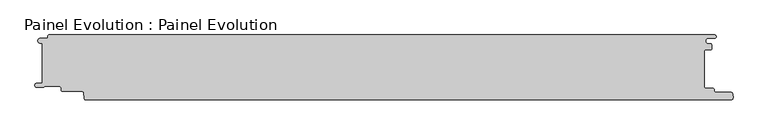
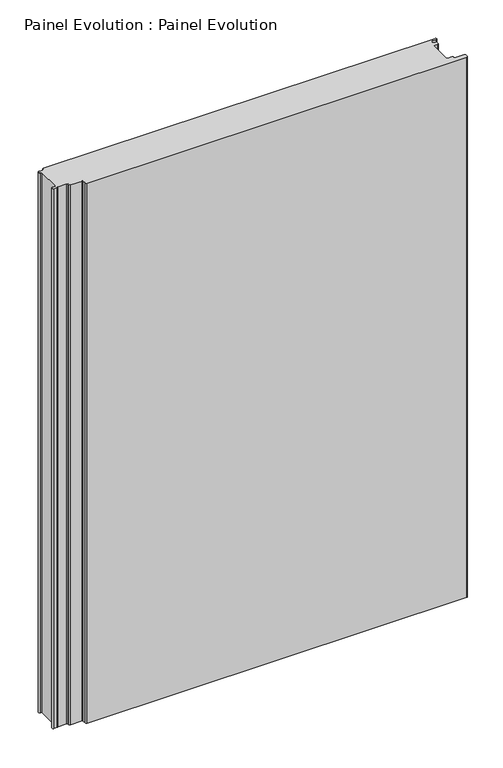
"""IFC4 building model written with IfcOpenShell, lengths in millimetres: proxy geometry, Painel Evolution : Painel Evolution."""

import ifcopenshell
import ifcopenshell.guid

model = None  # the IFC model being written
_history = None  # IfcOwnerHistory: only IFC2X3 demands one
_inside = {}  # id of a spatial element -> (the spatial element, [elements in it])
_under = {}  # id of a project, library or spatial element -> (it, [spatial elements below it])
_declared = {}  # id of a project -> (the project, [libraries it declares])
_typed = {}  # id of a type object -> (the type object, [elements of that type])
_made_of = {}  # id of a material, layer set ... -> (it, [elements and type objects made of it])


def new_model(schema):
    """Start an empty IFC model of exactly this schema.

    Asked for "IFC4X3", IfcOpenShell would pick the latest addendum, in which some entities
    have other attributes; the version numbers below select the first issue.
    IFC2X3 requires an IfcOwnerHistory on every rooted entity: one is made here for all.
    """
    global model, _history
    if schema == "IFC4X3":
        model = ifcopenshell.file(schema_version=(4, 3, 0, 0))
    else:
        model = ifcopenshell.file(schema=schema)
    _inside.clear()
    _under.clear()
    _declared.clear()
    _typed.clear()
    _made_of.clear()
    _history = None
    if model.schema == "IFC2X3":
        org = make("IfcOrganization", Name="unknown")
        user = make(
            "IfcPersonAndOrganization",
            ThePerson=make("IfcPerson", FamilyName="unknown"),
            TheOrganization=org,
        )
        app = make(
            "IfcApplication",
            ApplicationDeveloper=org,
            Version="unknown",
            ApplicationFullName="unknown",
            ApplicationIdentifier="unknown",
        )
        _history = make(
            "IfcOwnerHistory",
            OwningUser=user,
            OwningApplication=app,
            ChangeAction="ADDED",
            CreationDate=0,
        )
    return model


def make(cls, **values):
    """One entity of the class cls with the attributes given. An attribute that is None is left unset."""
    return model.create_entity(
        cls, **{name: value for name, value in values.items() if value is not None}
    )


def rooted(cls, **values):
    """An entity with a GlobalId (a new one), such as an element, a storey or a relation."""
    return make(cls, GlobalId=ifcopenshell.guid.new(), OwnerHistory=_history, **values)


def si_unit(unit_type, name, prefix=None):
    """IfcSIUnit, for example si_unit("LENGTHUNIT", "METRE", prefix="MILLI")."""
    return make("IfcSIUnit", UnitType=unit_type, Prefix=prefix, Name=name)


def assignment(units):
    """IfcUnitAssignment: the units of a project."""
    return None if units is None else make("IfcUnitAssignment", Units=units)


def point(xyz):
    """IfcCartesianPoint."""
    return None if xyz is None else make("IfcCartesianPoint", Coordinates=xyz)


def direction(xyz):
    """IfcDirection."""
    return None if xyz is None else make("IfcDirection", DirectionRatios=xyz)


def frame(location, z_axis=None, x_axis=None):
    """IfcAxis2Placement3D, a coordinate frame: its origin and axes. An axis left out is left unset."""
    return make(
        "IfcAxis2Placement3D",
        Location=point(location),
        Axis=direction(z_axis),
        RefDirection=direction(x_axis),
    )


def frame_2d(location, x_axis=None):
    """IfcAxis2Placement2D, a coordinate frame in the plane: its origin and x axis."""
    return make(
        "IfcAxis2Placement2D", Location=point(location), RefDirection=direction(x_axis)
    )


def origin():
    """The frame at (0, 0, 0) with its axes left unset."""
    return frame((0.0, 0.0, 0.0))


def origin_with_axes():
    """The frame at (0, 0, 0) with the z axis (0, 0, 1) and the x axis (1, 0, 0) written out."""
    return frame((0.0, 0.0, 0.0), z_axis=(0.0, 0.0, 1.0), x_axis=(1.0, 0.0, 0.0))


def place(relative_to, where):
    """IfcLocalPlacement: puts the frame where relative to a parent placement (None: the world)."""
    return make(
        "IfcLocalPlacement", PlacementRelTo=relative_to, RelativePlacement=where
    )


def context(
    kind, dimensions, precision=None, world=None, true_north=None, identifier=None
):
    """IfcGeometricRepresentationContext, for example the 3D "Model" context."""
    return make(
        "IfcGeometricRepresentationContext",
        ContextIdentifier=identifier,
        ContextType=kind,
        CoordinateSpaceDimension=dimensions,
        Precision=precision,
        WorldCoordinateSystem=world,
        TrueNorth=true_north,
    )


def project(units=None, contexts=None):
    """IfcProject with its units and contexts."""
    return rooted(
        "IfcProject",
        Name="project",
        RepresentationContexts=contexts,
        UnitsInContext=assignment(units),
    )


def spatial(cls, under=None, at=None, **own):
    """A site, building, storey or space (cls), placed at a placement, below another one or the project."""
    s = rooted(cls, ObjectPlacement=at, **own)
    if under is not None:
        _under.setdefault(under.id(), (under, []))[1].append(s)
    return s


def polyline(points):
    """IfcPolyline through the points."""
    return make("IfcPolyline", Points=[point(p) for p in points])


def circle_curve(where, radius):
    """IfcCircle in the frame where."""
    return make("IfcCircle", Position=where, Radius=radius)


def trimmed(basis, trim1, trim2, sense, master):
    """IfcTrimmedCurve: the piece of a basis curve between two trims."""
    return make(
        "IfcTrimmedCurve",
        BasisCurve=basis,
        Trim1=trim1,
        Trim2=trim2,
        SenseAgreement=sense,
        MasterRepresentation=master,
    )


def segment(curve, same_sense, transition):
    """IfcCompositeCurveSegment."""
    return make(
        "IfcCompositeCurveSegment",
        Transition=transition,
        SameSense=same_sense,
        ParentCurve=curve,
    )


def composite_curve(segments, self_intersect=None):
    """IfcCompositeCurve: segments joined end to end."""
    return make("IfcCompositeCurve", Segments=segments, SelfIntersect=self_intersect)


def outline(outer, holes=None, kind="AREA"):
    """IfcArbitraryClosedProfileDef: a profile drawn as a closed curve; with holes, ...WithVoids."""
    if holes is None:
        return make("IfcArbitraryClosedProfileDef", ProfileType=kind, OuterCurve=outer)
    return make(
        "IfcArbitraryProfileDefWithVoids",
        ProfileType=kind,
        OuterCurve=outer,
        InnerCurves=holes,
    )


def extrude(swept, where, along, depth):
    """IfcExtrudedAreaSolid: the profile swept, set in the frame where, extruded along a direction by depth."""
    return make(
        "IfcExtrudedAreaSolid",
        SweptArea=swept,
        Position=where,
        ExtrudedDirection=direction(along),
        Depth=depth,
    )


def shape(context_of_items, identifier, shape_type, items):
    """IfcShapeRepresentation: the items that make up one representation, for example the "Body"."""
    return make(
        "IfcShapeRepresentation",
        ContextOfItems=context_of_items,
        RepresentationIdentifier=identifier,
        RepresentationType=shape_type,
        Items=items,
    )


def source(mapping_origin, context_of_items, identifier, shape_type, items):
    """IfcRepresentationMap: a shape defined once, which mapped items show again and again."""
    return make(
        "IfcRepresentationMap",
        MappingOrigin=mapping_origin,
        MappedRepresentation=shape(context_of_items, identifier, shape_type, items),
    )


def transform(
    local_origin,
    x_axis=None,
    y_axis=None,
    z_axis=None,
    scale=None,
    scale2=None,
    scale3=None,
    uniform=True,
):
    """IfcCartesianTransformationOperator3D, or its non-uniform kind. x_axis, y_axis, z_axis: its Axis1, 2, 3."""
    if uniform:
        return make(
            "IfcCartesianTransformationOperator3D",
            Axis1=direction(x_axis),
            Axis2=direction(y_axis),
            LocalOrigin=point(local_origin),
            Scale=scale,
            Axis3=direction(z_axis),
        )
    return make(
        "IfcCartesianTransformationOperator3DnonUniform",
        Axis1=direction(x_axis),
        Axis2=direction(y_axis),
        LocalOrigin=point(local_origin),
        Scale=scale,
        Axis3=direction(z_axis),
        Scale2=scale2,
        Scale3=scale3,
    )


def mapped(mapping_source, mapping_target):
    """IfcMappedItem: shows the shape of a source again, moved by a transform."""
    return make(
        "IfcMappedItem", MappingSource=mapping_source, MappingTarget=mapping_target
    )


def made_of(thing, what):
    """Note that an element or type object is made of a material, layer set ...; save() writes the relation."""
    if what is not None:
        _made_of.setdefault(what.id(), (what, []))[1].append(thing)
    return thing


def element(
    cls,
    number,
    at=None,
    inside=None,
    cuts=None,
    type_object=None,
    material=None,
    context=None,
    identifier="Body",
    shape_type=None,
    held_by="IfcProductDefinitionShape",
    body=None,
    shapes=None,
    **own,
):
    """One element of the class cls, such as IfcWall. Its Tag is "e" and its number.

    at: its placement. inside: the storey or other place that contains it. cuts: it is an
    opening in that element (IfcRelVoidsElement). A single representation is given by context,
    identifier, shape_type and body (its items); several are given by shapes. held_by: the class
    of the entity that holds the representations. save() writes the other relations.
    """
    e = rooted(cls, Tag="e%d" % number, ObjectPlacement=at, **own)
    if body is not None:
        shapes = [shape(context, identifier, shape_type, body)]
    if shapes is not None:
        e.Representation = make(held_by, Representations=shapes)
    if inside is not None:
        _inside.setdefault(inside.id(), (inside, []))[1].append(e)
    if cuts is not None:
        rooted(
            "IfcRelVoidsElement", RelatingBuildingElement=cuts, RelatedOpeningElement=e
        )
    if type_object is not None:
        _typed.setdefault(type_object.id(), (type_object, []))[1].append(e)
    return made_of(e, material)


def aggregate(whole, parts):
    """IfcRelAggregates: a whole, such as a stair, and the parts it consists of."""
    return rooted("IfcRelAggregates", RelatingObject=whole, RelatedObjects=parts)


def save(model, path):
    """Write the relations noted so far, then the file.

    IfcRelAggregates (storeys below a building ...), IfcRelContainedInSpatialStructure (elements
    in a storey), IfcRelDefinesByType, IfcRelAssociatesMaterial and IfcRelDeclares: one each for
    every whole, place, type object, material and project.
    """
    for whole, parts in _under.values():
        aggregate(whole, parts)
    for where, things in _inside.values():
        rooted(
            "IfcRelContainedInSpatialStructure",
            RelatedElements=things,
            RelatingStructure=where,
        )
    for kind, things in _typed.values():
        rooted("IfcRelDefinesByType", RelatedObjects=things, RelatingType=kind)
    for what, things in _made_of.values():
        rooted("IfcRelAssociatesMaterial", RelatedObjects=things, RelatingMaterial=what)
    for by, libraries in _declared.values():
        rooted("IfcRelDeclares", RelatingContext=by, RelatedDefinitions=libraries)
    model.write(path)


def painel_evolution_painel_evolution_20792348(model_context):
    return source(origin(), model_context, "Body", "SweptSolid", [
        extrude(outline(composite_curve([segment(trimmed(circle_curve(frame_2d((506.313274, 34.7225035)), 1.5999999), [point((506.5911111, 36.2981958))], [point((507.912729, 34.7642596))], False, "CARTESIAN"), True, "CONTINUOUS"), segment(polyline([(507.912729, 34.7642596), (507.912729, 28.1436506)]), True, "CONTINUOUS"), segment(trimmed(circle_curve(frame_2d((506.8673147, 28.1436506)), 1.0454142), [point((507.912729, 28.1436506))], [point((506.8673147, 27.0982364))], False, "CARTESIAN"), True, "CONTINUOUS"), segment(polyline([(506.8673147, 27.0982364), (498.9512072, 27.0982364)]), True, "CONTINUOUS"), segment(trimmed(circle_curve(frame_2d((498.9512072, 24.7482365)), 2.3499999), [point((498.9512072, 27.0982364))], [point((496.6012073, 24.7482365))], True, "CARTESIAN"), True, "CONTINUOUS"), segment(polyline([(496.6012073, 24.7482365), (496.6012073, -29.6548179)]), True, "CONTINUOUS"), segment(trimmed(circle_curve(frame_2d((498.9512072, -29.6548179)), 2.3499999), [point((496.6012073, -29.6548179))], [point((498.9512072, -32.0048179))], True, "CARTESIAN"), True, "CONTINUOUS"), segment(polyline([(498.9512072, -32.0048179), (509.620698, -32.0048179)]), True, "CONTINUOUS"), segment(trimmed(circle_curve(frame_2d((509.620698, -34.4048179)), 2.4), [point((509.620698, -32.0048179))], [point((512.020698, -34.4048179))], False, "CARTESIAN"), True, "CONTINUOUS"), segment(polyline([(512.020698, -34.4048179), (512.020698, -36.4048176)]), True, "CONTINUOUS"), segment(trimmed(circle_curve(frame_2d((513.620698, -36.4048176)), 1.6), [point((512.020698, -36.4048176))], [point((513.620698, -38.0048176))], True, "CARTESIAN"), True, "CONTINUOUS"), segment(polyline([(513.620698, -38.0048176), (537.0114544, -38.0048176)]), True, "CONTINUOUS"), segment(trimmed(circle_curve(frame_2d((537.0114544, -41.7048175)), 3.6999999), [point((537.0114544, -38.0048176))], [point((540.6606899, -41.0940152))], False, "CARTESIAN"), True, "CONTINUOUS"), segment(polyline([(540.6606899, -41.0940152), (541.1021208, -46.1370337)]), True, "CONTINUOUS"), segment(trimmed(circle_curve(frame_2d((537.5514013, -46.4373369)), 3.563396), [point((541.1021208, -46.1370337))], [point((537.6236695, -50.0))], False, "CARTESIAN"), True, "CONTINUOUS"), segment(polyline([(537.6236695, -50.0), (-454.4023864, -50.0)]), True, "CONTINUOUS"), segment(trimmed(circle_curve(frame_2d((-454.3507103, -47.1106339)), 2.8898282), [point((-454.4023864, -50.0))], [point((-457.2295384, -47.3625382))], False, "CARTESIAN"), True, "CONTINUOUS"), segment(polyline([(-457.2295384, -47.3625382), (-457.9760411, -38.8313116)]), True, "CONTINUOUS"), segment(trimmed(circle_curve(frame_2d((-459.9959051, -39.0080546)), 2.027582), [point((-457.9760411, -38.8313116))], [point((-458.3872648, -37.7738078))], True, "CARTESIAN"), True, "CONTINUOUS"), segment(trimmed(circle_curve(frame_2d((-459.9740222, -38.9912647)), 2.0), [point((-458.3872648, -37.7738078))], [point((-459.9818684, -36.99128))], True, "CARTESIAN"), True, "CONTINUOUS"), segment(polyline([(-459.9818684, -36.99128), (-489.9687938, -36.99128)]), True, "CONTINUOUS"), segment(trimmed(circle_curve(frame_2d((-489.9687938, -34.19128)), 2.8), [point((-489.9687938, -36.99128))], [point((-492.7687939, -34.19128))], False, "CARTESIAN"), True, "CONTINUOUS"), segment(polyline([(-492.7687939, -34.19128), (-492.7687939, -31.9007195)]), True, "CONTINUOUS"), segment(trimmed(circle_curve(frame_2d((-495.7687939, -31.9007195)), 3.0), [point((-492.7687939, -31.9007195))], [point((-495.7687939, -28.9007195))], True, "CARTESIAN"), True, "CONTINUOUS"), segment(polyline([(-495.7687939, -28.9007195), (-517.8062687, -28.9007195)]), True, "CONTINUOUS"), segment(trimmed(circle_curve(frame_2d((-517.8062687, -30.5007195)), 1.6), [point((-517.8062687, -28.9007195))], [point((-519.0123453, -29.4493494))], True, "CARTESIAN"), True, "CONTINUOUS"), segment(trimmed(circle_curve(frame_2d((-521.7593331, -27.7294942)), 3.2409634), [point((-519.0123453, -29.4493494))], [point((-520.2140128, -30.5783236))], False, "CARTESIAN"), True, "CONTINUOUS"), segment(trimmed(circle_curve(frame_2d((-521.3266399, -28.4518098)), 2.4), [point((-520.2140128, -30.5783236))], [point((-521.4215824, -30.8499312))], False, "CARTESIAN"), True, "CONTINUOUS"), segment(polyline([(-521.4215824, -30.8499312), (-529.7667193, -30.8499312)]), True, "CONTINUOUS"), segment(trimmed(circle_curve(frame_2d((-529.7667193, -27.5812398)), 3.2686913), [point((-529.7667193, -30.8499312))], [point((-529.9577702, -24.3181366))], False, "CARTESIAN"), True, "CONTINUOUS"), segment(polyline([(-529.9577702, -24.3181366), (-522.1155186, -24.3181366), (-522.1155186, 37.4922678), (-525.6488863, 37.4922678)]), True, "CONTINUOUS"), segment(trimmed(circle_curve(frame_2d((-524.8390625, 41.0)), 3.6), [point((-525.6488863, 37.4922678))], [point((-524.8390625, 44.6))], False, "CARTESIAN"), True, "CONTINUOUS"), segment(polyline([(-524.8390625, 44.6), (-515.0390625, 44.6)]), True, "CONTINUOUS"), segment(trimmed(circle_curve(frame_2d((-515.0390625, 46.6)), 2.0), [point((-515.0390625, 44.6))], [point((-513.0390625, 46.6))], True, "CARTESIAN"), True, "CONTINUOUS"), segment(polyline([(-513.0390625, 46.6), (-513.0390625, 48.0)]), True, "CONTINUOUS"), segment(trimmed(circle_curve(frame_2d((-511.0390625, 48.0)), 2.0), [point((-513.0390625, 48.0))], [point((-511.0390625, 50.0))], False, "CARTESIAN"), True, "CONTINUOUS"), segment(polyline([(-511.0390625, 50.0), (512.4609375, 50.0)]), True, "CONTINUOUS"), segment(trimmed(circle_curve(frame_2d((512.4609375, 47.5)), 2.5), [point((512.4609375, 50.0))], [point((512.4609375, 45.0))], False, "CARTESIAN"), True, "CONTINUOUS"), segment(polyline([(512.4609375, 45.0), (503.1893843, 45.0)]), True, "CONTINUOUS"), segment(trimmed(circle_curve(frame_2d((503.1893843, 40.6490979)), 4.3509021), [point((503.1893843, 45.0))], [point((503.1893843, 36.2981958))], True, "CARTESIAN"), True, "CONTINUOUS"), segment(polyline([(503.1893843, 36.2981958), (506.5911111, 36.2981958)]), True, "CONTINUOUS")], self_intersect=False)), origin_with_axes(), (0.0, 0.0, 1.0), 1490.0),
    ])


if __name__ == "__main__":
    model = new_model("IFC4")
    model_context = context("Model", 3, world=origin())
    ifc_project = project(units=[si_unit("LENGTHUNIT", "METRE", prefix="MILLI")], contexts=[model_context])
    site = spatial("IfcSite", under=ifc_project)
    building = spatial("IfcBuilding", under=site)
    placement = place(None, origin())
    painel_evolution_painel_evolution_shape = painel_evolution_painel_evolution_20792348(model_context)
    element("IfcBuildingElementProxy", 1, Name="Painel Evolution : Painel Evolution", ObjectType="Painel Evolution : Painel Evolution", at=placement, inside=building, context=model_context, shape_type="MappedRepresentation", body=[
        mapped(painel_evolution_painel_evolution_shape, transform((0.0, 0.0, 0.0), x_axis=(1.0, 0.0, 0.0), y_axis=(0.0, 1.0, 0.0), z_axis=(0.0, 0.0, 1.0))),
    ])
    save(model, "model.ifc")
